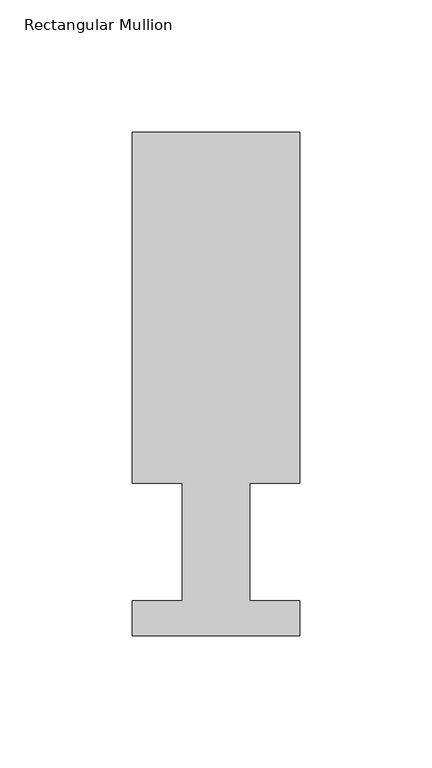
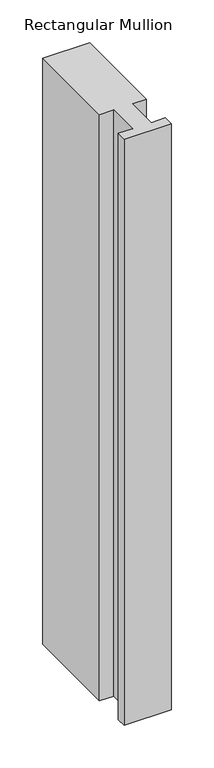
"""IFC4 building model written with IfcOpenShell, lengths in millimetres: member geometry, Rectangular Mullion."""

from ifc_helpers import new_model, si_unit, frame, origin, place, context, project, spatial, polyline, outline, extrude, source, transform, mapped, element, save


def rectangular_mullion_d395dd10(model_context):
    return source(origin(), model_context, "Body", "SweptSolid", [
        extrude(outline(polyline([(31.75, 190.5896937), (31.75, 57.6460937), (12.7, 57.6460937), (12.7, 13.1960937), (31.75, 13.1960937), (31.75, 0.0134937), (-31.75, 0.0134937), (-31.75, 13.1960937), (-12.7, 13.1960937), (-12.7, 57.6460937), (-31.75, 57.6460937), (-31.75, 190.5896937), (31.75, 190.5896937)])), frame((0.0, 0.0, -838.2), z_axis=(0.0, 0.0, 1.0), x_axis=(1.0, 0.0, 0.0)), (0.0, 0.0, 1.0), 838.2),
    ])


if __name__ == "__main__":
    model = new_model("IFC4")
    model_context = context("Model", 3, world=origin())
    ifc_project = project(units=[si_unit("LENGTHUNIT", "METRE", prefix="MILLI")], contexts=[model_context])
    site = spatial("IfcSite", under=ifc_project)
    building = spatial("IfcBuilding", under=site)
    placement = place(None, origin())
    rectangular_mullion_shape = rectangular_mullion_d395dd10(model_context)
    element("IfcMember", 1, ObjectType="Rectangular Mullion", at=placement, inside=building, context=model_context, shape_type="MappedRepresentation", body=[
        mapped(rectangular_mullion_shape, transform((0.0, 0.0, 0.0), x_axis=(1.0, 0.0, 0.0), y_axis=(0.0, 1.0, 0.0), z_axis=(0.0, 0.0, 1.0))),
    ])
    save(model, "model.ifc")
